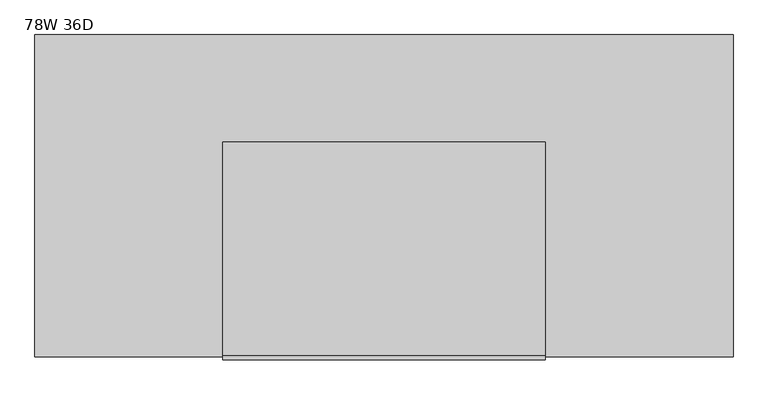
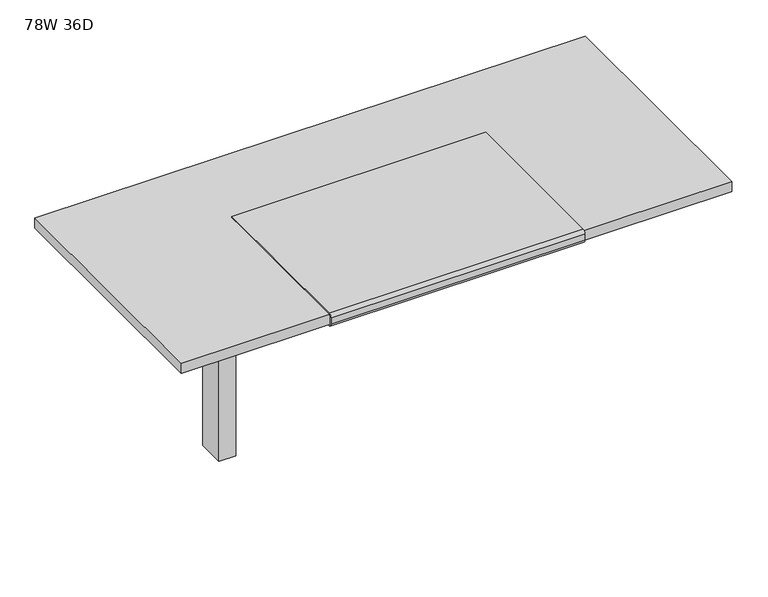
"""IFC4 building model written with IfcOpenShell, lengths in millimetres: furniture geometry, 78W 36D."""

from ifc_helpers import new_model, si_unit, point, frame, frame_2d, origin, origin_with_axes, place, context, project, spatial, polyline, circle_curve, trimmed, segment, composite_curve, outline, extrude, source, transform, mapped, element, save


def furniture_78w_36d_59f5b68d(model_context):
    return source(origin(), model_context, "Body", "SweptSolid", [
        extrude(outline(composite_curve([segment(polyline([(-923.7981828, 711.2566341), (-923.7981828, 706.2597008)]), True, "CONTINUOUS"), segment(trimmed(circle_curve(frame_2d((-923.7981828, 718.9597008)), 12.7), [point((-923.7981828, 706.2597008))], [point((-936.4981828, 718.9597008))], False, "CARTESIAN"), True, "CONTINUOUS"), segment(polyline([(-936.4981828, 718.9597008), (-936.4981828, 741.3625)]), True, "CONTINUOUS"), segment(trimmed(circle_curve(frame_2d((-923.7981828, 741.3625)), 12.7), [point((-936.4981828, 741.3625))], [point((-923.7981828, 754.0625))], False, "CARTESIAN"), True, "CONTINUOUS"), segment(polyline([(-923.7981828, 754.0625), (-317.3731828, 754.0625), (-317.3731828, 749.3), (-923.6350132, 749.3)]), True, "CONTINUOUS"), segment(trimmed(circle_curve(frame_2d((-923.6350132, 741.3625)), 7.9375), [point((-923.6350132, 749.3))], [point((-931.5725132, 741.3625))], True, "CARTESIAN"), True, "CONTINUOUS"), segment(polyline([(-931.5725132, 741.3625), (-931.5725132, 717.6066341)]), True, "CONTINUOUS"), segment(trimmed(circle_curve(frame_2d((-925.2225132, 717.6066341)), 6.35), [point((-931.5725132, 717.6066341))], [point((-925.2225132, 711.2566341))], True, "CARTESIAN"), True, "CONTINUOUS"), segment(polyline([(-925.2225132, 711.2566341), (-923.7981828, 711.2566341)]), True, "CONTINUOUS")], self_intersect=False)), frame((-469.9, 0.0, 0.0), z_axis=(1.0, 0.0, 0.0), x_axis=(0.0, 1.0, 0.0)), (0.0, 0.0, 1.0), 914.4),
        extrude(outline(polyline([(-730.25, 692.15), (-730.25, 711.2), (-209.55, 711.2), (-209.55, 692.15), (-411.1625, 635.0), (-528.6375, 635.0), (-730.25, 692.15)])), frame((-643.73125, 0.0, 0.0), z_axis=(1.0, 0.0, 0.0), x_axis=(0.0, 1.0, 0.0)), (0.0, 0.0, 1.0), 2.38125),
        extrude(outline(polyline([(-453.23125, -411.1625), (-453.23125, -528.6375), (-641.35, -528.6375), (-641.35, -411.1625), (-453.23125, -411.1625)])), frame((0.0, 0.0, 655.6375), z_axis=(0.0, 0.0, 1.0), x_axis=(1.0, 0.0, 0.0)), (0.0, 0.0, 1.0), 55.5625),
        extrude(outline(polyline([(-577.85, -425.45), (-577.85, -514.35), (-628.65, -514.35), (-628.65, -425.45), (-577.85, -425.45)])), frame((0.0, 0.0, 654.05), z_axis=(0.0, 0.0, 1.0), x_axis=(1.0, 0.0, 0.0)), (0.0, 0.0, 1.0), 1.5875),
        extrude(outline(polyline([(-573.2859375, -419.89375), (-573.2859375, -519.90625), (-633.2140625, -519.90625), (-633.2140625, -419.89375), (-573.2859375, -419.89375)])), origin_with_axes(), (0.0, 0.0, 1.0), 654.05),
        extrude(outline(polyline([(746.125, -215.9), (746.125, -723.9), (669.925, -723.9), (669.925, -215.9), (746.125, -215.9)])), frame((0.0, 0.0, 590.55), z_axis=(0.0, 0.0, 1.0), x_axis=(1.0, 0.0, 0.0)), (0.0, 0.0, 1.0), 120.65),
        extrude(outline(polyline([(977.9, -12.7), (977.9, -927.1), (-1003.3, -927.1), (-1003.3, -12.7), (977.9, -12.7)])), frame((0.0, 0.0, 711.2), z_axis=(0.0, 0.0, 1.0), x_axis=(1.0, 0.0, 0.0)), (0.0, 0.0, 1.0), 38.1),
    ])


if __name__ == "__main__":
    model = new_model("IFC4")
    model_context = context("Model", 3, world=origin())
    ifc_project = project(units=[si_unit("LENGTHUNIT", "METRE", prefix="MILLI")], contexts=[model_context])
    site = spatial("IfcSite", under=ifc_project)
    building = spatial("IfcBuilding", under=site)
    placement = place(None, origin())
    furniture_78w_36d_shape = furniture_78w_36d_59f5b68d(model_context)
    element("IfcFurniture", 1, ObjectType="78W 36D", at=placement, inside=building, context=model_context, shape_type="MappedRepresentation", body=[
        mapped(furniture_78w_36d_shape, transform((0.0, 0.0, 0.0), x_axis=(1.0, 0.0, 0.0), y_axis=(0.0, 1.0, 0.0), z_axis=(0.0, 0.0, 1.0))),
    ])
    save(model, "model.ifc")
